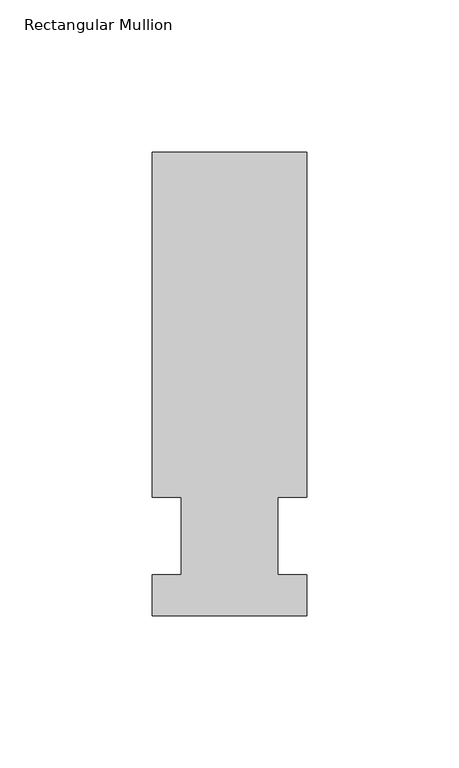
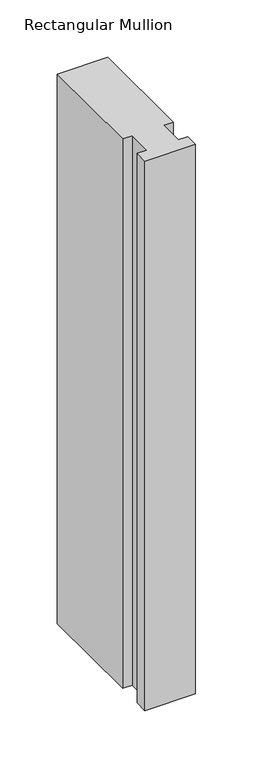
"""IFC4 building model written with IfcOpenShell, lengths in millimetres: member geometry, Rectangular Mullion."""

from ifc_helpers import new_model, si_unit, frame, origin, place, context, project, spatial, polyline, outline, extrude, source, transform, mapped, element, save


def rectangular_mullion_46a5d23a(model_context):
    return source(origin(), model_context, "Body", "SweptSolid", [
        extrude(outline(polyline([(-25.4, -26.19375), (-25.4, -12.7), (-15.875, -12.7), (-15.875, 12.7), (-25.4, 12.7), (-25.4, 126.20625), (25.4, 126.20625), (25.4, 12.7), (15.875, 12.7), (15.875, -12.7), (25.4, -12.7), (25.4, -26.19375), (-25.4, -26.19375)])), frame((0.0, 0.0, -584.2), z_axis=(0.0, 0.0, 1.0), x_axis=(1.0, 0.0, 0.0)), (0.0, 0.0, 1.0), 584.2),
    ])


if __name__ == "__main__":
    model = new_model("IFC4")
    model_context = context("Model", 3, world=origin())
    ifc_project = project(units=[si_unit("LENGTHUNIT", "METRE", prefix="MILLI")], contexts=[model_context])
    site = spatial("IfcSite", under=ifc_project)
    building = spatial("IfcBuilding", under=site)
    placement = place(None, origin())
    rectangular_mullion_shape = rectangular_mullion_46a5d23a(model_context)
    element("IfcMember", 1, ObjectType="Rectangular Mullion", at=placement, inside=building, context=model_context, shape_type="MappedRepresentation", body=[
        mapped(rectangular_mullion_shape, transform((0.0, 0.0, 0.0), x_axis=(1.0, 0.0, 0.0), y_axis=(0.0, 1.0, 0.0), z_axis=(0.0, 0.0, 1.0))),
    ])
    save(model, "model.ifc")
